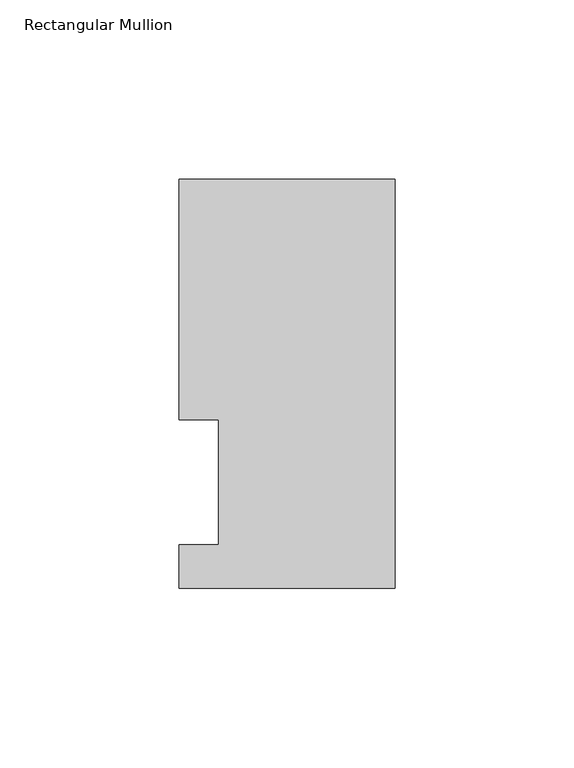
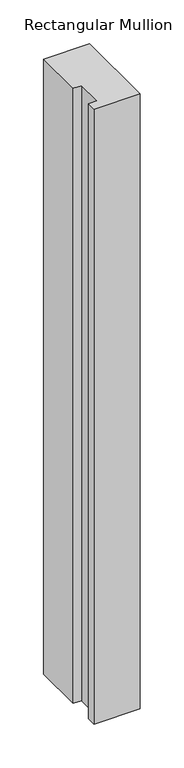
"""IFC4 building model written with IfcOpenShell, lengths in millimetres: member geometry, Rectangular Mullion."""

from ifc_helpers import new_model, si_unit, frame, origin, place, context, project, spatial, polyline, outline, extrude, source, transform, mapped, element, save


def rectangular_mullion_b4b77e3a(model_context):
    return source(origin(), model_context, "Body", "SweptSolid", [
        extrude(outline(polyline([(0.0, 114.252375), (0.0, -0.047625), (-60.325, -0.047625), (-60.325, 12.144375), (-49.2125, 12.144375), (-49.2125, 47.069375), (-60.325, 47.069375), (-60.325, 114.252375), (0.0, 114.252375)])), frame((0.0, 0.0, -854.0748985), z_axis=(0.0, 0.0, 1.0), x_axis=(1.0, 0.0, 0.0)), (0.0, 0.0, 1.0), 854.0748985),
    ])


if __name__ == "__main__":
    model = new_model("IFC4")
    model_context = context("Model", 3, world=origin())
    ifc_project = project(units=[si_unit("LENGTHUNIT", "METRE", prefix="MILLI")], contexts=[model_context])
    site = spatial("IfcSite", under=ifc_project)
    building = spatial("IfcBuilding", under=site)
    placement = place(None, origin())
    rectangular_mullion_shape = rectangular_mullion_b4b77e3a(model_context)
    element("IfcMember", 1, ObjectType="Rectangular Mullion", at=placement, inside=building, context=model_context, shape_type="MappedRepresentation", body=[
        mapped(rectangular_mullion_shape, transform((0.0, 0.0, 0.0), x_axis=(1.0, 0.0, 0.0), y_axis=(0.0, 1.0, 0.0), z_axis=(0.0, 0.0, 1.0))),
    ])
    save(model, "model.ifc")
